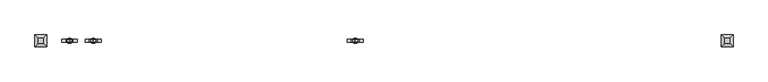
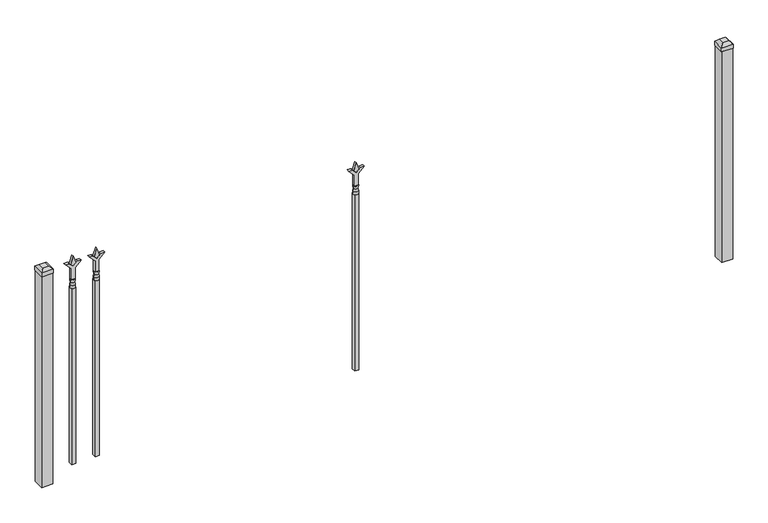
"""IFC4 building model written with IfcOpenShell, lengths in millimetres: railing geometry."""

from ifc_helpers import new_model, si_unit, frame, origin, origin_with_axes, place, context, project, spatial, polyline, circle_curve, outline, extrude, faceted_brep, source, transform, mapped, element, save
from ifc_brep_helpers import plane_surface, cylinder_surface, revolved_surface, advanced_brep


def railing_d7f33c38(model_context):
    return source(origin(), model_context, "Body", "SolidModel", [
        extrude(outline(polyline([(1031.08125, -85476.3764203), (1066.8, -85488.2826703), (1031.08125, -85500.1889203), (1019.175, -85488.2826703), (1031.08125, -85476.3764203)])), frame((0.0, -640.0195174, 0.0), z_axis=(0.0, 1.0, 0.0), x_axis=(0.0, 0.0, 1.0)), (0.0, 0.0, 1.0), 9.525),
        extrude(outline(polyline([(955.675, -85479.5514203), (1009.9457378, -85479.5514203), (1037.1355122, -85452.3616458), (1037.1355122, -85470.3221581), (1019.175, -85488.2826703), (1037.1355122, -85506.2431825), (1037.1355122, -85524.2036948), (1009.9457378, -85497.0139203), (955.675, -85497.0139203), (955.675, -85479.5514203)])), frame((0.0, -641.6070174, 0.0), z_axis=(0.0, 1.0, 0.0), x_axis=(0.0, 0.0, 1.0)), (0.0, 0.0, 1.0), 12.7),
        advanced_brep(
        [(-85476.3764203, -635.2570174, 927.1), (-85500.1889203, -635.2570174, 927.1), (-85500.1889203, -635.2570174, 914.4), (-85476.3764203, -635.2570174, 914.4), (-85478.5817522, -635.2570174, 939.6070585), (-85497.9835884, -635.2570174, 939.6070585), (-85476.3764203, -635.2570174, 955.675), (-85500.1889203, -635.2570174, 955.675), (-85488.2826703, -635.2570174, 955.675), (-85488.2826703, -635.2570174, 914.4)],
        [
            (0, 1, circle_curve(frame((-85488.2826703, -635.2570174, 927.1), z_axis=(0.0, 0.0, -1.0), x_axis=(-1.0, 0.0, 0.0)), 11.90625)),
            (1, 2),
            (2, 3, circle_curve(frame((-85488.2826703, -635.2570174, 914.4), z_axis=(0.0, 0.0, 1.0), x_axis=(-1.0, 0.0, 0.0)), 11.90625)),
            (3, 0),
            (1, 0, circle_curve(frame((-85488.2826703, -635.2570174, 927.1), z_axis=(0.0, 0.0, -1.0), x_axis=(-1.0, 0.0, 0.0)), 11.90625)),
            (3, 2, circle_curve(frame((-85488.2826703, -635.2570174, 914.4), z_axis=(0.0, 0.0, 1.0), x_axis=(-1.0, 0.0, 0.0)), 11.90625)),
            (4, 5, circle_curve(frame((-85488.2826703, -635.2570174, 939.6070585), z_axis=(0.0, 0.0, -1.0), x_axis=(-1.0, 0.0, 0.0)), 9.7009181)),
            (5, 1),
            (0, 4),
            (5, 4, circle_curve(frame((-85488.2826703, -635.2570174, 939.6070585), z_axis=(0.0, 0.0, -1.0), x_axis=(-1.0, 0.0, 0.0)), 9.7009181)),
            (6, 7, circle_curve(frame((-85488.2826703, -635.2570174, 955.675), z_axis=(0.0, 0.0, -1.0), x_axis=(-1.0, 0.0, 0.0)), 11.90625)),
            (7, 5),
            (4, 6),
            (7, 6, circle_curve(frame((-85488.2826703, -635.2570174, 955.675), z_axis=(0.0, 0.0, -1.0), x_axis=(-1.0, 0.0, 0.0)), 11.90625)),
            (8, 7),
            (6, 8),
            (2, 9),
            (9, 3),
        ],
        [
            cylinder_surface(frame((-85488.2826703, -635.2570174, 914.4), z_axis=(0.0, 0.0, 1.0), x_axis=(-1.0, 0.0, 0.0)), 11.90625),
            revolved_surface(polyline([(-85500.1889203, -635.2570174, 927.1), (-85497.9835884, -635.2570174, 939.6070585)]), (-85488.2826703, -635.2570174, 914.4), (0.0, 0.0, 1.0)),
            revolved_surface(polyline([(-85497.9835884, -635.2570174, 939.6070585), (-85500.1889203, -635.2570174, 955.675)]), (-85488.2826703, -635.2570174, 914.4), (0.0, 0.0, 1.0)),
            plane_surface(frame((-85488.2826703, -635.2570174, 955.675), z_axis=(0.0, 0.0, 1.0), x_axis=(-1.0, 0.0, 0.0))),
            plane_surface(frame((-85488.2826703, -635.2570174, 914.4), z_axis=(0.0, 0.0, -1.0), x_axis=(-1.0, 0.0, 0.0))),
        ],
        [
            (0, [[1, 2, 3, 4]]),
            (0, [[5, -4, 6, -2]]),
            (1, [[7, 8, -1, 9]]),
            (1, [[10, -9, -5, -8]]),
            (2, [[11, 12, -7, 13]]),
            (2, [[14, -13, -10, -12]]),
            (3, [[15, -11, 16]]),
            (3, [[-16, -14, -15]]),
            (4, [[-3, 17, 18]]),
            (4, [[-6, -18, -17]]),
        ],
    ),
        extrude(outline(polyline([(-85497.8076703, -625.7320174), (-85478.7576703, -625.7320174), (-85478.7576703, -644.7820174), (-85497.8076703, -644.7820174), (-85497.8076703, -625.7320174)])), frame((0.0, 0.0, 50.8), z_axis=(0.0, 0.0, 1.0), x_axis=(1.0, 0.0, 0.0)), (0.0, 0.0, 1.0), 863.6),
        extrude(outline(polyline([(1031.08125, -84274.374337), (1066.8, -84286.280587), (1031.08125, -84298.186837), (1019.175, -84286.280587), (1031.08125, -84274.374337)])), frame((0.0, -640.0195174, 0.0), z_axis=(0.0, 1.0, 0.0), x_axis=(0.0, 0.0, 1.0)), (0.0, 0.0, 1.0), 9.525),
        extrude(outline(polyline([(955.675, -84277.549337), (1009.9457378, -84277.549337), (1037.1355122, -84250.3595625), (1037.1355122, -84268.3200747), (1019.175, -84286.280587), (1037.1355122, -84304.2410992), (1037.1355122, -84322.2016114), (1009.9457378, -84295.011837), (955.675, -84295.011837), (955.675, -84277.549337)])), frame((0.0, -641.6070174, 0.0), z_axis=(0.0, 1.0, 0.0), x_axis=(0.0, 0.0, 1.0)), (0.0, 0.0, 1.0), 12.7),
        advanced_brep(
        [(-84274.374337, -635.2570174, 927.1), (-84298.186837, -635.2570174, 927.1), (-84298.186837, -635.2570174, 914.4), (-84274.374337, -635.2570174, 914.4), (-84276.5796688, -635.2570174, 939.6070585), (-84295.9815051, -635.2570174, 939.6070585), (-84274.374337, -635.2570174, 955.675), (-84298.186837, -635.2570174, 955.675), (-84286.280587, -635.2570174, 955.675), (-84286.280587, -635.2570174, 914.4)],
        [
            (0, 1, circle_curve(frame((-84286.280587, -635.2570174, 927.1), z_axis=(0.0, 0.0, -1.0), x_axis=(-1.0, 0.0, 0.0)), 11.90625)),
            (1, 2),
            (2, 3, circle_curve(frame((-84286.280587, -635.2570174, 914.4), z_axis=(0.0, 0.0, 1.0), x_axis=(-1.0, 0.0, 0.0)), 11.90625)),
            (3, 0),
            (1, 0, circle_curve(frame((-84286.280587, -635.2570174, 927.1), z_axis=(0.0, 0.0, -1.0), x_axis=(-1.0, 0.0, 0.0)), 11.90625)),
            (3, 2, circle_curve(frame((-84286.280587, -635.2570174, 914.4), z_axis=(0.0, 0.0, 1.0), x_axis=(-1.0, 0.0, 0.0)), 11.90625)),
            (4, 5, circle_curve(frame((-84286.280587, -635.2570174, 939.6070585), z_axis=(0.0, 0.0, -1.0), x_axis=(-1.0, 0.0, 0.0)), 9.7009181)),
            (5, 1),
            (0, 4),
            (5, 4, circle_curve(frame((-84286.280587, -635.2570174, 939.6070585), z_axis=(0.0, 0.0, -1.0), x_axis=(-1.0, 0.0, 0.0)), 9.7009181)),
            (6, 7, circle_curve(frame((-84286.280587, -635.2570174, 955.675), z_axis=(0.0, 0.0, -1.0), x_axis=(-1.0, 0.0, 0.0)), 11.90625)),
            (7, 5),
            (4, 6),
            (7, 6, circle_curve(frame((-84286.280587, -635.2570174, 955.675), z_axis=(0.0, 0.0, -1.0), x_axis=(-1.0, 0.0, 0.0)), 11.90625)),
            (8, 7),
            (6, 8),
            (2, 9),
            (9, 3),
        ],
        [
            cylinder_surface(frame((-84286.280587, -635.2570174, 914.4), z_axis=(0.0, 0.0, 1.0), x_axis=(-1.0, 0.0, 0.0)), 11.90625),
            revolved_surface(polyline([(-84298.186837, -635.2570174, 927.1), (-84295.9815051, -635.2570174, 939.6070585)]), (-84286.280587, -635.2570174, 914.4), (0.0, 0.0, 1.0)),
            revolved_surface(polyline([(-84295.9815051, -635.2570174, 939.6070585), (-84298.186837, -635.2570174, 955.675)]), (-84286.280587, -635.2570174, 914.4), (0.0, 0.0, 1.0)),
            plane_surface(frame((-84286.280587, -635.2570174, 955.675), z_axis=(0.0, 0.0, 1.0), x_axis=(-1.0, 0.0, 0.0))),
            plane_surface(frame((-84286.280587, -635.2570174, 914.4), z_axis=(0.0, 0.0, -1.0), x_axis=(-1.0, 0.0, 0.0))),
        ],
        [
            (0, [[1, 2, 3, 4]]),
            (0, [[5, -4, 6, -2]]),
            (1, [[7, 8, -1, 9]]),
            (1, [[10, -9, -5, -8]]),
            (2, [[11, 12, -7, 13]]),
            (2, [[14, -13, -10, -12]]),
            (3, [[15, -11, 16]]),
            (3, [[-16, -14, -15]]),
            (4, [[-3, 17, 18]]),
            (4, [[-6, -18, -17]]),
        ],
    ),
        extrude(outline(polyline([(-84295.805587, -625.7320174), (-84276.755587, -625.7320174), (-84276.755587, -644.7820174), (-84295.805587, -644.7820174), (-84295.805587, -625.7320174)])), frame((0.0, 0.0, 50.8), z_axis=(0.0, 0.0, 1.0), x_axis=(1.0, 0.0, 0.0)), (0.0, 0.0, 1.0), 863.6),
        extrude(outline(polyline([(1031.08125, -85585.649337), (1066.8, -85597.555587), (1031.08125, -85609.461837), (1019.175, -85597.555587), (1031.08125, -85585.649337)])), frame((0.0, -640.0195174, 0.0), z_axis=(0.0, 1.0, 0.0), x_axis=(0.0, 0.0, 1.0)), (0.0, 0.0, 1.0), 9.525),
        extrude(outline(polyline([(955.675, -85588.824337), (1009.9457378, -85588.824337), (1037.1355122, -85561.6345625), (1037.1355122, -85579.5950747), (1019.175, -85597.555587), (1037.1355122, -85615.5160992), (1037.1355122, -85633.4766114), (1009.9457378, -85606.286837), (955.675, -85606.286837), (955.675, -85588.824337)])), frame((0.0, -641.6070174, 0.0), z_axis=(0.0, 1.0, 0.0), x_axis=(0.0, 0.0, 1.0)), (0.0, 0.0, 1.0), 12.7),
        advanced_brep(
        [(-85585.649337, -635.2570174, 927.1), (-85609.461837, -635.2570174, 927.1), (-85609.461837, -635.2570174, 914.4), (-85585.649337, -635.2570174, 914.4), (-85587.8546688, -635.2570174, 939.6070585), (-85607.2565051, -635.2570174, 939.6070585), (-85585.649337, -635.2570174, 955.675), (-85609.461837, -635.2570174, 955.675), (-85597.555587, -635.2570174, 955.675), (-85597.555587, -635.2570174, 914.4)],
        [
            (0, 1, circle_curve(frame((-85597.555587, -635.2570174, 927.1), z_axis=(0.0, 0.0, -1.0), x_axis=(-1.0, 0.0, 0.0)), 11.90625)),
            (1, 2),
            (2, 3, circle_curve(frame((-85597.555587, -635.2570174, 914.4), z_axis=(0.0, 0.0, 1.0), x_axis=(-1.0, 0.0, 0.0)), 11.90625)),
            (3, 0),
            (1, 0, circle_curve(frame((-85597.555587, -635.2570174, 927.1), z_axis=(0.0, 0.0, -1.0), x_axis=(-1.0, 0.0, 0.0)), 11.90625)),
            (3, 2, circle_curve(frame((-85597.555587, -635.2570174, 914.4), z_axis=(0.0, 0.0, 1.0), x_axis=(-1.0, 0.0, 0.0)), 11.90625)),
            (4, 5, circle_curve(frame((-85597.555587, -635.2570174, 939.6070585), z_axis=(0.0, 0.0, -1.0), x_axis=(-1.0, 0.0, 0.0)), 9.7009181)),
            (5, 1),
            (0, 4),
            (5, 4, circle_curve(frame((-85597.555587, -635.2570174, 939.6070585), z_axis=(0.0, 0.0, -1.0), x_axis=(-1.0, 0.0, 0.0)), 9.7009181)),
            (6, 7, circle_curve(frame((-85597.555587, -635.2570174, 955.675), z_axis=(0.0, 0.0, -1.0), x_axis=(-1.0, 0.0, 0.0)), 11.90625)),
            (7, 5),
            (4, 6),
            (7, 6, circle_curve(frame((-85597.555587, -635.2570174, 955.675), z_axis=(0.0, 0.0, -1.0), x_axis=(-1.0, 0.0, 0.0)), 11.90625)),
            (8, 7),
            (6, 8),
            (2, 9),
            (9, 3),
        ],
        [
            cylinder_surface(frame((-85597.555587, -635.2570174, 914.4), z_axis=(0.0, 0.0, 1.0), x_axis=(-1.0, 0.0, 0.0)), 11.90625),
            revolved_surface(polyline([(-85609.461837, -635.2570174, 927.1), (-85607.2565051, -635.2570174, 939.6070585)]), (-85597.555587, -635.2570174, 914.4), (0.0, 0.0, 1.0)),
            revolved_surface(polyline([(-85607.2565051, -635.2570174, 939.6070585), (-85609.461837, -635.2570174, 955.675)]), (-85597.555587, -635.2570174, 914.4), (0.0, 0.0, 1.0)),
            plane_surface(frame((-85597.555587, -635.2570174, 955.675), z_axis=(0.0, 0.0, 1.0), x_axis=(-1.0, 0.0, 0.0))),
            plane_surface(frame((-85597.555587, -635.2570174, 914.4), z_axis=(0.0, 0.0, -1.0), x_axis=(-1.0, 0.0, 0.0))),
        ],
        [
            (0, [[1, 2, 3, 4]]),
            (0, [[5, -4, 6, -2]]),
            (1, [[7, 8, -1, 9]]),
            (1, [[10, -9, -5, -8]]),
            (2, [[11, 12, -7, 13]]),
            (2, [[14, -13, -10, -12]]),
            (3, [[15, -11, 16]]),
            (3, [[-16, -14, -15]]),
            (4, [[-3, 17, 18]]),
            (4, [[-6, -18, -17]]),
        ],
    ),
        extrude(outline(polyline([(-85607.080587, -625.7320174), (-85588.030587, -625.7320174), (-85588.030587, -644.7820174), (-85607.080587, -644.7820174), (-85607.080587, -625.7320174)])), frame((0.0, 0.0, 50.8), z_axis=(0.0, 0.0, 1.0), x_axis=(1.0, 0.0, 0.0)), (0.0, 0.0, 1.0), 863.6),
        faceted_brep([(-82606.705587, -608.2695174, 1054.1), (-82606.705587, -608.2695174, 1035.05), (-82606.705587, -662.2445174, 1035.05), (-82606.705587, -662.2445174, 1054.1), (-82594.005587, -620.9695174, 1066.8), (-82594.005587, -649.5445174, 1066.8), (-82552.730587, -662.2445174, 1035.05), (-82552.730587, -662.2445174, 1054.1), (-82565.430587, -649.5445174, 1066.8), (-82552.730587, -608.2695174, 1035.05), (-82552.730587, -608.2695174, 1054.1), (-82565.430587, -620.9695174, 1066.8)], [[[0, 1, 2, 3]], [[4, 0, 3, 5]], [[3, 2, 6, 7]], [[5, 3, 7, 8]], [[7, 6, 9, 10]], [[8, 7, 10, 11]], [[10, 9, 1, 0]], [[11, 10, 0, 4]], [[5, 8, 11, 4]], [[1, 9, 6, 2]]]),
        extrude(outline(polyline([(-82554.318087, -609.8570174), (-82554.318087, -660.6570174), (-82605.118087, -660.6570174), (-82605.118087, -609.8570174), (-82554.318087, -609.8570174)])), origin_with_axes(), (0.0, 0.0, 1.0), 1035.05),
        faceted_brep([(-85756.305587, -608.2695174, 1054.1), (-85756.305587, -608.2695174, 1035.05), (-85756.305587, -662.2445174, 1035.05), (-85756.305587, -662.2445174, 1054.1), (-85743.605587, -620.9695174, 1066.8), (-85743.605587, -649.5445174, 1066.8), (-85702.330587, -662.2445174, 1035.05), (-85702.330587, -662.2445174, 1054.1), (-85715.030587, -649.5445174, 1066.8), (-85702.330587, -608.2695174, 1035.05), (-85702.330587, -608.2695174, 1054.1), (-85715.030587, -620.9695174, 1066.8)], [[[0, 1, 2, 3]], [[4, 0, 3, 5]], [[3, 2, 6, 7]], [[5, 3, 7, 8]], [[7, 6, 9, 10]], [[8, 7, 10, 11]], [[10, 9, 1, 0]], [[11, 10, 0, 4]], [[5, 8, 11, 4]], [[1, 9, 6, 2]]]),
        extrude(outline(polyline([(-85703.918087, -609.8570174), (-85703.918087, -660.6570174), (-85754.718087, -660.6570174), (-85754.718087, -609.8570174), (-85703.918087, -609.8570174)])), origin_with_axes(), (0.0, 0.0, 1.0), 1035.05),
    ])


if __name__ == "__main__":
    model = new_model("IFC4")
    model_context = context("Model", 3, world=origin())
    ifc_project = project(units=[si_unit("LENGTHUNIT", "METRE", prefix="MILLI")], contexts=[model_context])
    site = spatial("IfcSite", under=ifc_project)
    building = spatial("IfcBuilding", under=site)
    placement = place(None, origin())
    railing_shape = railing_d7f33c38(model_context)
    element("IfcRailing", 1, at=placement, inside=building, context=model_context, shape_type="MappedRepresentation", body=[
        mapped(railing_shape, transform((0.0, 0.0, 0.0), x_axis=(1.0, 0.0, 0.0), y_axis=(0.0, 1.0, 0.0), z_axis=(0.0, 0.0, 1.0))),
    ])
    save(model, "model.ifc")
